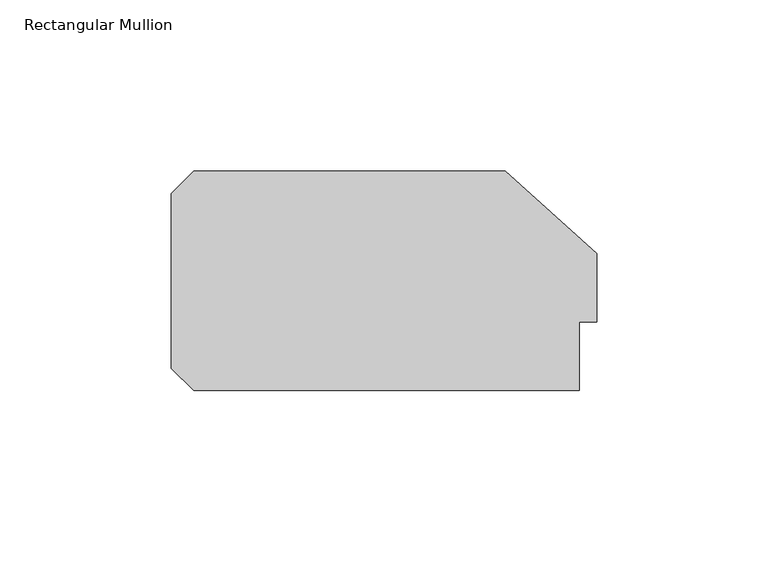
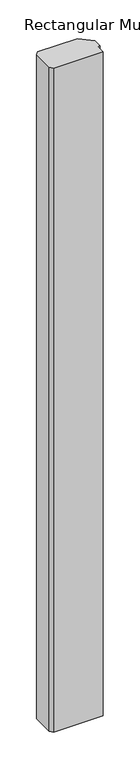
"""IFC4 building model written with IfcOpenShell, lengths in millimetres: member geometry, Rectangular Mullion."""

from ifc_helpers import new_model, si_unit, frame, origin, place, context, project, spatial, polyline, outline, extrude, source, transform, mapped, element, save


def rectangular_mullion_1c286b92(model_context):
    return source(origin(), model_context, "Body", "SweptSolid", [
        extrude(outline(polyline([(-5.0, 20.0), (-5.0, 0.0), (-117.5, 0.0), (-124.0, 6.5), (-124.0, 57.5), (-117.5, 64.0), (-26.6547004, 64.0), (0.0, 40.0), (0.0, 20.0), (-5.0, 20.0)])), frame((0.0, 0.0, -1599.9999998), z_axis=(0.0, 0.0, 1.0), x_axis=(1.0, 0.0, 0.0)), (0.0, 0.0, 1.0), 1599.9999998),
    ])


if __name__ == "__main__":
    model = new_model("IFC4")
    model_context = context("Model", 3, world=origin())
    ifc_project = project(units=[si_unit("LENGTHUNIT", "METRE", prefix="MILLI")], contexts=[model_context])
    site = spatial("IfcSite", under=ifc_project)
    building = spatial("IfcBuilding", under=site)
    placement = place(None, origin())
    rectangular_mullion_shape = rectangular_mullion_1c286b92(model_context)
    element("IfcMember", 1, ObjectType="Rectangular Mullion", at=placement, inside=building, context=model_context, shape_type="MappedRepresentation", body=[
        mapped(rectangular_mullion_shape, transform((0.0, 0.0, 0.0), x_axis=(1.0, 0.0, 0.0), y_axis=(0.0, 1.0, 0.0), z_axis=(0.0, 0.0, 1.0))),
    ])
    save(model, "model.ifc")
